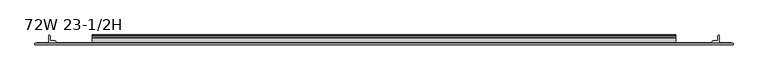
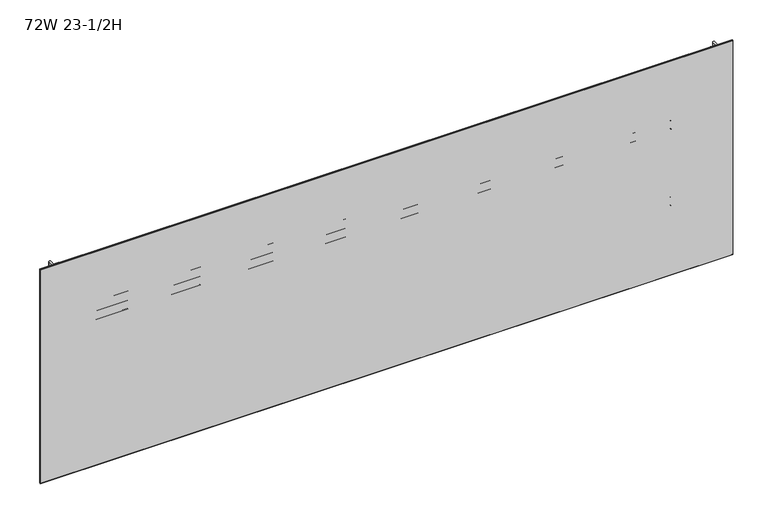
"""IFC4 building model written with IfcOpenShell, lengths in millimetres: furniture geometry, 72W 23-1/2H."""

from ifc_helpers import new_model, si_unit, point, frame, frame_2d, origin, place, context, project, spatial, polyline, circle_curve, trimmed, segment, composite_curve, outline, extrude, faceted_brep, source, transform, mapped, element, save


def furniture_72w_23_1_2h_f3fc1104(model_context):
    return source(origin(), model_context, "Body", "SolidModel", [
        extrude(outline(composite_curve([segment(polyline([(-5.2324, 902.4059175), (-5.2324, 923.5244434)]), True, "CONTINUOUS"), segment(trimmed(circle_curve(frame_2d((-4.677496, 923.5244434)), 0.554904), [point((-5.2324, 923.5244434))], [point((-4.5338691, 924.0604377))], False, "CARTESIAN"), True, "CONTINUOUS"), segment(polyline([(-4.5338691, 924.0604377), (-3.3274001, 923.7371481), (-2.3976956, 922.807481), (-2.0574001, 921.5374277), (-2.0574001, 908.7676431)]), True, "CONTINUOUS"), segment(trimmed(circle_curve(frame_2d((-1.4921701, 908.7676431)), 0.5652299), [point((-2.0574001, 908.7676431))], [point((-1.4921701, 908.2024132))], True, "CARTESIAN"), True, "CONTINUOUS"), segment(polyline([(-1.4921701, 908.2024132), (0.5143951, 908.2024132)]), True, "CONTINUOUS"), segment(trimmed(circle_curve(frame_2d((0.5143951, 907.5992083)), 0.6032049), [point((0.5143951, 908.2024132))], [point((1.1176, 907.5992083))], False, "CARTESIAN"), True, "CONTINUOUS"), segment(polyline([(1.1176, 907.5992083), (1.1176, 876.4846046)]), True, "CONTINUOUS"), segment(trimmed(circle_curve(frame_2d((0.6637885, 879.1738096)), 2.7272272), [point((1.1176, 876.4846046))], [point((-2.0574001, 878.9924229))], False, "CARTESIAN"), True, "CONTINUOUS"), segment(polyline([(-2.0574001, 878.9924229), (-2.0574001, 901.3081717)]), True, "CONTINUOUS"), segment(trimmed(circle_curve(frame_2d((-2.6016657, 901.3081717)), 0.5442657), [point((-2.0574001, 901.3081717))], [point((-2.6016657, 901.8524374))], True, "CARTESIAN"), True, "CONTINUOUS"), segment(polyline([(-2.6016657, 901.8524374), (-4.6789199, 901.8524374)]), True, "CONTINUOUS"), segment(trimmed(circle_curve(frame_2d((-4.6789199, 902.4059175)), 0.5534801), [point((-4.6789199, 901.8524374))], [point((-5.2324, 902.4059175))], False, "CARTESIAN"), True, "CONTINUOUS")], self_intersect=False)), frame((152.4, 0.0, 0.0), z_axis=(1.0, 0.0, 0.0), x_axis=(0.0, 1.0, 0.0)), (0.0, 0.0, 1.0), 1524.0),
        extrude(outline(composite_curve([segment(polyline([(-7.1373999, 955.8274132), (-4.5974, 955.1468588), (-2.7379909, 953.2874519), (-2.0574001, 950.747418), (-2.0574001, 929.1337352)]), True, "CONTINUOUS"), segment(trimmed(circle_curve(frame_2d((-1.4969277, 929.1337352)), 0.5604724), [point((-2.0574001, 929.1337352))], [point((-1.4969277, 928.5732628))], True, "CARTESIAN"), True, "CONTINUOUS"), segment(polyline([(-1.4969277, 928.5732628), (0.4039455, 928.5732628)]), True, "CONTINUOUS"), segment(trimmed(circle_curve(frame_2d((0.4039455, 927.8596084)), 0.7136544), [point((0.4039455, 928.5732628))], [point((1.1176, 927.8596084))], False, "CARTESIAN"), True, "CONTINUOUS"), segment(polyline([(1.1176, 927.8596084), (1.1176, 909.5034694)]), True, "CONTINUOUS"), segment(trimmed(circle_curve(frame_2d((0.4746932, 909.5034694)), 0.6429068), [point((1.1176, 909.5034694))], [point((-0.1003385, 909.2159495))], False, "CARTESIAN"), True, "CONTINUOUS"), segment(polyline([(-0.1003385, 909.2159495), (-1.8183367, 912.6518984)]), True, "CONTINUOUS"), segment(trimmed(circle_curve(frame_2d((0.2069874, 913.6645745)), 2.2643874), [point((-1.8183367, 912.6518984))], [point((-2.0574001, 913.6645745))], False, "CARTESIAN"), True, "CONTINUOUS"), segment(polyline([(-2.0574001, 913.6645745), (-2.0574001, 923.3402528)]), True, "CONTINUOUS"), segment(trimmed(circle_curve(frame_2d((-2.7946089, 923.3402528)), 0.7372088), [point((-2.0574001, 923.3402528))], [point((-2.7946089, 924.0774616))], True, "CARTESIAN"), True, "CONTINUOUS"), segment(polyline([(-2.7946089, 924.0774616), (-19.4564001, 924.0774616), (-19.4564001, 955.8274132), (-7.1373999, 955.8274132)]), True, "CONTINUOUS")], self_intersect=False), holes=[composite_curve([segment(trimmed(circle_curve(frame_2d((-13.0222745, 950.5363262)), 2.7511257), [point((-13.0222745, 953.2874519))], [point((-15.7734002, 950.5363262))], True, "CARTESIAN"), True, "CONTINUOUS"), segment(polyline([(-15.7734002, 950.5363262), (-15.7734002, 929.2014781)]), True, "CONTINUOUS"), segment(trimmed(circle_curve(frame_2d((-13.189345, 929.2014781)), 2.5840552), [point((-15.7734002, 929.2014781))], [point((-13.189345, 926.6174229))], True, "CARTESIAN"), True, "CONTINUOUS"), segment(polyline([(-13.189345, 926.6174229), (-7.4218653, 926.6174229)]), True, "CONTINUOUS"), segment(trimmed(circle_curve(frame_2d((-7.4218653, 929.4418881)), 2.8244652), [point((-7.4218653, 926.6174229))], [point((-4.5974, 929.4418881))], True, "CARTESIAN"), True, "CONTINUOUS"), segment(polyline([(-4.5974, 929.4418881), (-4.5974, 950.6103081)]), True, "CONTINUOUS"), segment(trimmed(circle_curve(frame_2d((-7.2745438, 950.6103081)), 2.6771438), [point((-4.5974, 950.6103081))], [point((-7.2745438, 953.2874519))], True, "CARTESIAN"), True, "CONTINUOUS"), segment(polyline([(-7.2745438, 953.2874519), (-13.0222745, 953.2874519)]), True, "CONTINUOUS")], self_intersect=False)]), frame((152.4, 0.0, 0.0), z_axis=(1.0, 0.0, 0.0), x_axis=(0.0, 1.0, 0.0)), (0.0, 0.0, 1.0), 1524.0),
        extrude(outline(composite_curve([segment(polyline([(-5.2324, 1115.1182044), (-5.2324, 1136.2367302)]), True, "CONTINUOUS"), segment(trimmed(circle_curve(frame_2d((-4.677496, 1136.2367302)), 0.554904), [point((-5.2324, 1136.2367302))], [point((-4.5338691, 1136.7727245))], False, "CARTESIAN"), True, "CONTINUOUS"), segment(polyline([(-4.5338691, 1136.7727245), (-3.3274001, 1136.4494349), (-2.3976956, 1135.5197678), (-2.0574001, 1134.2497145), (-2.0574001, 1121.4799299)]), True, "CONTINUOUS"), segment(trimmed(circle_curve(frame_2d((-1.4921701, 1121.4799299)), 0.5652299), [point((-2.0574001, 1121.4799299))], [point((-1.4921701, 1120.9147))], True, "CARTESIAN"), True, "CONTINUOUS"), segment(polyline([(-1.4921701, 1120.9147), (0.5143951, 1120.9147)]), True, "CONTINUOUS"), segment(trimmed(circle_curve(frame_2d((0.5143951, 1120.3114951)), 0.6032049), [point((0.5143951, 1120.9147))], [point((1.1176, 1120.3114951))], False, "CARTESIAN"), True, "CONTINUOUS"), segment(polyline([(1.1176, 1120.3114951), (1.1176, 1089.1968914)]), True, "CONTINUOUS"), segment(trimmed(circle_curve(frame_2d((0.6637885, 1091.8860964)), 2.7272272), [point((1.1176, 1089.1968914))], [point((-2.0574001, 1091.7047097))], False, "CARTESIAN"), True, "CONTINUOUS"), segment(polyline([(-2.0574001, 1091.7047097), (-2.0574001, 1114.0204586)]), True, "CONTINUOUS"), segment(trimmed(circle_curve(frame_2d((-2.6016657, 1114.0204586)), 0.5442657), [point((-2.0574001, 1114.0204586))], [point((-2.6016657, 1114.5647242))], True, "CARTESIAN"), True, "CONTINUOUS"), segment(polyline([(-2.6016657, 1114.5647242), (-4.6789199, 1114.5647242)]), True, "CONTINUOUS"), segment(trimmed(circle_curve(frame_2d((-4.6789199, 1115.1182044)), 0.5534801), [point((-4.6789199, 1114.5647242))], [point((-5.2324, 1115.1182044))], False, "CARTESIAN"), True, "CONTINUOUS")], self_intersect=False)), frame((152.4, 0.0, 0.0), z_axis=(1.0, 0.0, 0.0), x_axis=(0.0, 1.0, 0.0)), (0.0, 0.0, 1.0), 1524.0),
        extrude(outline(composite_curve([segment(polyline([(-7.1373999, 1168.5397), (-4.5974, 1167.8591456), (-2.7379909, 1165.9997388), (-2.0574001, 1163.4597048), (-2.0574001, 1141.846022)]), True, "CONTINUOUS"), segment(trimmed(circle_curve(frame_2d((-1.4969277, 1141.846022)), 0.5604724), [point((-2.0574001, 1141.846022))], [point((-1.4969277, 1141.2855496))], True, "CARTESIAN"), True, "CONTINUOUS"), segment(polyline([(-1.4969277, 1141.2855496), (0.4039455, 1141.2855496)]), True, "CONTINUOUS"), segment(trimmed(circle_curve(frame_2d((0.4039455, 1140.5718952)), 0.7136544), [point((0.4039455, 1141.2855496))], [point((1.1176, 1140.5718952))], False, "CARTESIAN"), True, "CONTINUOUS"), segment(polyline([(1.1176, 1140.5718952), (1.1176, 1122.2157562)]), True, "CONTINUOUS"), segment(trimmed(circle_curve(frame_2d((0.4746932, 1122.2157562)), 0.6429068), [point((1.1176, 1122.2157562))], [point((-0.1003385, 1121.9282364))], False, "CARTESIAN"), True, "CONTINUOUS"), segment(polyline([(-0.1003385, 1121.9282364), (-1.8183367, 1125.3641852)]), True, "CONTINUOUS"), segment(trimmed(circle_curve(frame_2d((0.2069874, 1126.3768613)), 2.2643874), [point((-1.8183367, 1125.3641852))], [point((-2.0574001, 1126.3768613))], False, "CARTESIAN"), True, "CONTINUOUS"), segment(polyline([(-2.0574001, 1126.3768613), (-2.0574001, 1136.0525396)]), True, "CONTINUOUS"), segment(trimmed(circle_curve(frame_2d((-2.7946089, 1136.0525396)), 0.7372088), [point((-2.0574001, 1136.0525396))], [point((-2.7946089, 1136.7897484))], True, "CARTESIAN"), True, "CONTINUOUS"), segment(polyline([(-2.7946089, 1136.7897484), (-19.4564001, 1136.7897484), (-19.4564001, 1168.5397), (-7.1373999, 1168.5397)]), True, "CONTINUOUS")], self_intersect=False), holes=[composite_curve([segment(trimmed(circle_curve(frame_2d((-13.0222745, 1163.248613)), 2.7511257), [point((-13.0222745, 1165.9997388))], [point((-15.7734002, 1163.248613))], True, "CARTESIAN"), True, "CONTINUOUS"), segment(polyline([(-15.7734002, 1163.248613), (-15.7734002, 1141.9137649)]), True, "CONTINUOUS"), segment(trimmed(circle_curve(frame_2d((-13.189345, 1141.9137649)), 2.5840552), [point((-15.7734002, 1141.9137649))], [point((-13.189345, 1139.3297097))], True, "CARTESIAN"), True, "CONTINUOUS"), segment(polyline([(-13.189345, 1139.3297097), (-7.4218653, 1139.3297097)]), True, "CONTINUOUS"), segment(trimmed(circle_curve(frame_2d((-7.4218653, 1142.1541749)), 2.8244652), [point((-7.4218653, 1139.3297097))], [point((-4.5974, 1142.1541749))], True, "CARTESIAN"), True, "CONTINUOUS"), segment(polyline([(-4.5974, 1142.1541749), (-4.5974, 1163.322595)]), True, "CONTINUOUS"), segment(trimmed(circle_curve(frame_2d((-7.2745438, 1163.322595)), 2.6771438), [point((-4.5974, 1163.322595))], [point((-7.2745438, 1165.9997388))], True, "CARTESIAN"), True, "CONTINUOUS"), segment(polyline([(-7.2745438, 1165.9997388), (-13.0222745, 1165.9997388)]), True, "CONTINUOUS")], self_intersect=False)]), frame((152.4, 0.0, 0.0), z_axis=(1.0, 0.0, 0.0), x_axis=(0.0, 1.0, 0.0)), (0.0, 0.0, 1.0), 1524.0),
        extrude(outline(composite_curve([segment(trimmed(circle_curve(frame_2d((1790.1524764, -18.9088765)), 0.5475236), [point((1790.7, -18.9088765))], [point((1790.1524764, -19.4564001))], False, "CARTESIAN"), True, "CONTINUOUS"), segment(polyline([(1790.1524764, -19.4564001), (1772.2113866, -19.4564001)]), True, "CONTINUOUS"), segment(trimmed(circle_curve(frame_2d((1772.2113866, -18.8950135)), 0.5613866), [point((1772.2113866, -19.4564001))], [point((1771.65, -18.8950135))], False, "CARTESIAN"), True, "CONTINUOUS"), segment(polyline([(1771.65, -18.8950135), (1771.65, -16.8669745)]), True, "CONTINUOUS"), segment(trimmed(circle_curve(frame_2d((1774.2294745, -16.8669745)), 2.5794745), [point((1771.65, -16.8669745))], [point((1774.2294745, -14.2875))], False, "CARTESIAN"), True, "CONTINUOUS"), segment(polyline([(1774.2294745, -14.2875), (1785.2787912, -14.2875)]), True, "CONTINUOUS"), segment(trimmed(circle_curve(frame_2d((1785.2787912, -13.6414903)), 0.6460097), [point((1785.2787912, -14.2875))], [point((1785.9248009, -13.6414903))], True, "CARTESIAN"), True, "CONTINUOUS"), segment(polyline([(1785.9248009, -13.6414903), (1785.9248009, -2.768893)]), True, "CONTINUOUS"), segment(trimmed(circle_curve(frame_2d((1788.6936939, -2.768893)), 2.768893), [point((1785.9248009, -2.768893))], [point((1788.6936939, 0.0))], False, "CARTESIAN"), True, "CONTINUOUS"), segment(polyline([(1788.6936939, 0.0), (1790.1082199, 0.0)]), True, "CONTINUOUS"), segment(trimmed(circle_curve(frame_2d((1790.1082199, -0.5917801)), 0.5917801), [point((1790.1082199, 0.0))], [point((1790.7, -0.5917801))], False, "CARTESIAN"), True, "CONTINUOUS"), segment(polyline([(1790.7, -0.5917801), (1790.7, -18.9088765)]), True, "CONTINUOUS")], self_intersect=False)), frame((0.0, 0.0, 728.98), z_axis=(0.0, 0.0, 1.0), x_axis=(1.0, 0.0, 0.0)), (0.0, 0.0, 1.0), 587.3623),
        extrude(outline(composite_curve([segment(polyline([(38.1, -18.9088765), (38.1, -0.5917801)]), True, "CONTINUOUS"), segment(trimmed(circle_curve(frame_2d((38.6917801, -0.5917801)), 0.5917801), [point((38.1, -0.5917801))], [point((38.6917801, 0.0))], False, "CARTESIAN"), True, "CONTINUOUS"), segment(polyline([(38.6917801, 0.0), (40.1063061, 0.0)]), True, "CONTINUOUS"), segment(trimmed(circle_curve(frame_2d((40.1063061, -2.768893)), 2.768893), [point((40.1063061, 0.0))], [point((42.8751991, -2.768893))], False, "CARTESIAN"), True, "CONTINUOUS"), segment(polyline([(42.8751991, -2.768893), (42.8751991, -13.6414903)]), True, "CONTINUOUS"), segment(trimmed(circle_curve(frame_2d((43.5212088, -13.6414903)), 0.6460097), [point((42.8751991, -13.6414903))], [point((43.5212088, -14.2875))], True, "CARTESIAN"), True, "CONTINUOUS"), segment(polyline([(43.5212088, -14.2875), (54.5705255, -14.2875)]), True, "CONTINUOUS"), segment(trimmed(circle_curve(frame_2d((54.5705255, -16.8669745)), 2.5794745), [point((54.5705255, -14.2875))], [point((57.15, -16.8669745))], False, "CARTESIAN"), True, "CONTINUOUS"), segment(polyline([(57.15, -16.8669745), (57.15, -18.8950135)]), True, "CONTINUOUS"), segment(trimmed(circle_curve(frame_2d((56.5886134, -18.8950135)), 0.5613866), [point((57.15, -18.8950135))], [point((56.5886134, -19.4564001))], False, "CARTESIAN"), True, "CONTINUOUS"), segment(polyline([(56.5886134, -19.4564001), (38.6475236, -19.4564001)]), True, "CONTINUOUS"), segment(trimmed(circle_curve(frame_2d((38.6475236, -18.9088765)), 0.5475236), [point((38.6475236, -19.4564001))], [point((38.1, -18.9088765))], False, "CARTESIAN"), True, "CONTINUOUS")], self_intersect=False)), frame((0.0, 0.0, 728.98), z_axis=(0.0, 0.0, 1.0), x_axis=(1.0, 0.0, 0.0)), (0.0, 0.0, 1.0), 587.3623),
        extrude(outline(polyline([(1821.4975002, -20.0634601), (7.3024998, -20.0634601), (7.3024998, -19.4564001), (1821.4975002, -19.4564001), (1821.4975002, -20.0634601)])), frame((0.0, 0.0, 728.98), z_axis=(0.0, 0.0, 1.0), x_axis=(1.0, 0.0, 0.0)), (0.0, 0.0, 1.0), 587.3623),
        faceted_brep([(1826.2600024, -24.0512595, 1321.1048), (1826.2600024, -20.8508598, 1321.1048), (2.5400001, -20.8508598, 1321.1048), (2.5400001, -24.0512595, 1321.1048), (2.5400001, -24.0512595, 724.2048), (2.5400001, -20.8508598, 724.2048), (1826.2600024, -20.8508598, 724.2048), (1826.2600024, -24.0512595, 724.2048), (3.3274521, -24.8386592, 1320.3173481), (3.3274521, -24.8386592, 724.9922519), (1825.4725505, -24.8386592, 724.9922519), (1825.4725505, -24.8386592, 1320.3173481), (3.3274521, -20.0634601, 724.9922519), (3.3274521, -20.0634601, 1320.3173481), (1825.4725505, -20.0634601, 1320.3173481), (1825.4725505, -20.0634601, 724.9922519)], [[[0, 1, 2, 3]], [[4, 5, 6, 7]], [[8, 9, 10, 11]], [[1, 0, 7, 6]], [[12, 13, 14, 15]], [[3, 2, 5, 4]], [[12, 5, 2, 13]], [[4, 9, 8, 3]], [[5, 12, 15, 6]], [[9, 4, 7, 10]], [[6, 15, 14, 1]], [[10, 7, 0, 11]], [[13, 2, 1, 14]], [[3, 8, 11, 0]]]),
    ])


if __name__ == "__main__":
    model = new_model("IFC4")
    model_context = context("Model", 3, world=origin())
    ifc_project = project(units=[si_unit("LENGTHUNIT", "METRE", prefix="MILLI")], contexts=[model_context])
    site = spatial("IfcSite", under=ifc_project)
    building = spatial("IfcBuilding", under=site)
    placement = place(None, origin())
    furniture_72w_23_1_2h_shape = furniture_72w_23_1_2h_f3fc1104(model_context)
    element("IfcFurniture", 1, ObjectType="72W 23-1/2H", at=placement, inside=building, context=model_context, shape_type="MappedRepresentation", body=[
        mapped(furniture_72w_23_1_2h_shape, transform((0.0, 0.0, 0.0), x_axis=(1.0, 0.0, 0.0), y_axis=(0.0, 1.0, 0.0), z_axis=(0.0, 0.0, 1.0))),
    ])
    save(model, "model.ifc")
